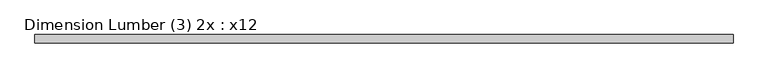
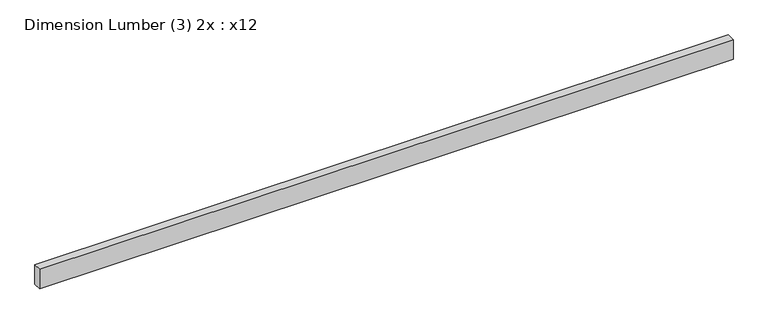
"""IFC4 building model written with IfcOpenShell, lengths in millimetres: beam geometry, Dimension Lumber (3) 2x : x12."""

import ifcopenshell
import ifcopenshell.guid

model = None  # the IFC model being written
_history = None  # IfcOwnerHistory: only IFC2X3 demands one
_inside = {}  # id of a spatial element -> (the spatial element, [elements in it])
_under = {}  # id of a project, library or spatial element -> (it, [spatial elements below it])
_declared = {}  # id of a project -> (the project, [libraries it declares])
_typed = {}  # id of a type object -> (the type object, [elements of that type])
_made_of = {}  # id of a material, layer set ... -> (it, [elements and type objects made of it])


def new_model(schema):
    """Start an empty IFC model of exactly this schema.

    Asked for "IFC4X3", IfcOpenShell would pick the latest addendum, in which some entities
    have other attributes; the version numbers below select the first issue.
    IFC2X3 requires an IfcOwnerHistory on every rooted entity: one is made here for all.
    """
    global model, _history
    if schema == "IFC4X3":
        model = ifcopenshell.file(schema_version=(4, 3, 0, 0))
    else:
        model = ifcopenshell.file(schema=schema)
    _inside.clear()
    _under.clear()
    _declared.clear()
    _typed.clear()
    _made_of.clear()
    _history = None
    if model.schema == "IFC2X3":
        org = make("IfcOrganization", Name="unknown")
        user = make(
            "IfcPersonAndOrganization",
            ThePerson=make("IfcPerson", FamilyName="unknown"),
            TheOrganization=org,
        )
        app = make(
            "IfcApplication",
            ApplicationDeveloper=org,
            Version="unknown",
            ApplicationFullName="unknown",
            ApplicationIdentifier="unknown",
        )
        _history = make(
            "IfcOwnerHistory",
            OwningUser=user,
            OwningApplication=app,
            ChangeAction="ADDED",
            CreationDate=0,
        )
    return model


def make(cls, **values):
    """One entity of the class cls with the attributes given. An attribute that is None is left unset."""
    return model.create_entity(
        cls, **{name: value for name, value in values.items() if value is not None}
    )


def rooted(cls, **values):
    """An entity with a GlobalId (a new one), such as an element, a storey or a relation."""
    return make(cls, GlobalId=ifcopenshell.guid.new(), OwnerHistory=_history, **values)


def si_unit(unit_type, name, prefix=None):
    """IfcSIUnit, for example si_unit("LENGTHUNIT", "METRE", prefix="MILLI")."""
    return make("IfcSIUnit", UnitType=unit_type, Prefix=prefix, Name=name)


def assignment(units):
    """IfcUnitAssignment: the units of a project."""
    return None if units is None else make("IfcUnitAssignment", Units=units)


def point(xyz):
    """IfcCartesianPoint."""
    return None if xyz is None else make("IfcCartesianPoint", Coordinates=xyz)


def direction(xyz):
    """IfcDirection."""
    return None if xyz is None else make("IfcDirection", DirectionRatios=xyz)


def frame(location, z_axis=None, x_axis=None):
    """IfcAxis2Placement3D, a coordinate frame: its origin and axes. An axis left out is left unset."""
    return make(
        "IfcAxis2Placement3D",
        Location=point(location),
        Axis=direction(z_axis),
        RefDirection=direction(x_axis),
    )


def origin():
    """The frame at (0, 0, 0) with its axes left unset."""
    return frame((0.0, 0.0, 0.0))


def place(relative_to, where):
    """IfcLocalPlacement: puts the frame where relative to a parent placement (None: the world)."""
    return make(
        "IfcLocalPlacement", PlacementRelTo=relative_to, RelativePlacement=where
    )


def context(
    kind, dimensions, precision=None, world=None, true_north=None, identifier=None
):
    """IfcGeometricRepresentationContext, for example the 3D "Model" context."""
    return make(
        "IfcGeometricRepresentationContext",
        ContextIdentifier=identifier,
        ContextType=kind,
        CoordinateSpaceDimension=dimensions,
        Precision=precision,
        WorldCoordinateSystem=world,
        TrueNorth=true_north,
    )


def project(units=None, contexts=None):
    """IfcProject with its units and contexts."""
    return rooted(
        "IfcProject",
        Name="project",
        RepresentationContexts=contexts,
        UnitsInContext=assignment(units),
    )


def spatial(cls, under=None, at=None, **own):
    """A site, building, storey or space (cls), placed at a placement, below another one or the project."""
    s = rooted(cls, ObjectPlacement=at, **own)
    if under is not None:
        _under.setdefault(under.id(), (under, []))[1].append(s)
    return s


def polyline(points):
    """IfcPolyline through the points."""
    return make("IfcPolyline", Points=[point(p) for p in points])


def outline(outer, holes=None, kind="AREA"):
    """IfcArbitraryClosedProfileDef: a profile drawn as a closed curve; with holes, ...WithVoids."""
    if holes is None:
        return make("IfcArbitraryClosedProfileDef", ProfileType=kind, OuterCurve=outer)
    return make(
        "IfcArbitraryProfileDefWithVoids",
        ProfileType=kind,
        OuterCurve=outer,
        InnerCurves=holes,
    )


def extrude(swept, where, along, depth):
    """IfcExtrudedAreaSolid: the profile swept, set in the frame where, extruded along a direction by depth."""
    return make(
        "IfcExtrudedAreaSolid",
        SweptArea=swept,
        Position=where,
        ExtrudedDirection=direction(along),
        Depth=depth,
    )


def shape(context_of_items, identifier, shape_type, items):
    """IfcShapeRepresentation: the items that make up one representation, for example the "Body"."""
    return make(
        "IfcShapeRepresentation",
        ContextOfItems=context_of_items,
        RepresentationIdentifier=identifier,
        RepresentationType=shape_type,
        Items=items,
    )


def source(mapping_origin, context_of_items, identifier, shape_type, items):
    """IfcRepresentationMap: a shape defined once, which mapped items show again and again."""
    return make(
        "IfcRepresentationMap",
        MappingOrigin=mapping_origin,
        MappedRepresentation=shape(context_of_items, identifier, shape_type, items),
    )


def transform(
    local_origin,
    x_axis=None,
    y_axis=None,
    z_axis=None,
    scale=None,
    scale2=None,
    scale3=None,
    uniform=True,
):
    """IfcCartesianTransformationOperator3D, or its non-uniform kind. x_axis, y_axis, z_axis: its Axis1, 2, 3."""
    if uniform:
        return make(
            "IfcCartesianTransformationOperator3D",
            Axis1=direction(x_axis),
            Axis2=direction(y_axis),
            LocalOrigin=point(local_origin),
            Scale=scale,
            Axis3=direction(z_axis),
        )
    return make(
        "IfcCartesianTransformationOperator3DnonUniform",
        Axis1=direction(x_axis),
        Axis2=direction(y_axis),
        LocalOrigin=point(local_origin),
        Scale=scale,
        Axis3=direction(z_axis),
        Scale2=scale2,
        Scale3=scale3,
    )


def mapped(mapping_source, mapping_target):
    """IfcMappedItem: shows the shape of a source again, moved by a transform."""
    return make(
        "IfcMappedItem", MappingSource=mapping_source, MappingTarget=mapping_target
    )


def made_of(thing, what):
    """Note that an element or type object is made of a material, layer set ...; save() writes the relation."""
    if what is not None:
        _made_of.setdefault(what.id(), (what, []))[1].append(thing)
    return thing


def element(
    cls,
    number,
    at=None,
    inside=None,
    cuts=None,
    type_object=None,
    material=None,
    context=None,
    identifier="Body",
    shape_type=None,
    held_by="IfcProductDefinitionShape",
    body=None,
    shapes=None,
    **own,
):
    """One element of the class cls, such as IfcWall. Its Tag is "e" and its number.

    at: its placement. inside: the storey or other place that contains it. cuts: it is an
    opening in that element (IfcRelVoidsElement). A single representation is given by context,
    identifier, shape_type and body (its items); several are given by shapes. held_by: the class
    of the entity that holds the representations. save() writes the other relations.
    """
    e = rooted(cls, Tag="e%d" % number, ObjectPlacement=at, **own)
    if body is not None:
        shapes = [shape(context, identifier, shape_type, body)]
    if shapes is not None:
        e.Representation = make(held_by, Representations=shapes)
    if inside is not None:
        _inside.setdefault(inside.id(), (inside, []))[1].append(e)
    if cuts is not None:
        rooted(
            "IfcRelVoidsElement", RelatingBuildingElement=cuts, RelatedOpeningElement=e
        )
    if type_object is not None:
        _typed.setdefault(type_object.id(), (type_object, []))[1].append(e)
    return made_of(e, material)


def aggregate(whole, parts):
    """IfcRelAggregates: a whole, such as a stair, and the parts it consists of."""
    return rooted("IfcRelAggregates", RelatingObject=whole, RelatedObjects=parts)


def save(model, path):
    """Write the relations noted so far, then the file.

    IfcRelAggregates (storeys below a building ...), IfcRelContainedInSpatialStructure (elements
    in a storey), IfcRelDefinesByType, IfcRelAssociatesMaterial and IfcRelDeclares: one each for
    every whole, place, type object, material and project.
    """
    for whole, parts in _under.values():
        aggregate(whole, parts)
    for where, things in _inside.values():
        rooted(
            "IfcRelContainedInSpatialStructure",
            RelatedElements=things,
            RelatingStructure=where,
        )
    for kind, things in _typed.values():
        rooted("IfcRelDefinesByType", RelatedObjects=things, RelatingType=kind)
    for what, things in _made_of.values():
        rooted("IfcRelAssociatesMaterial", RelatedObjects=things, RelatingMaterial=what)
    for by, libraries in _declared.values():
        rooted("IfcRelDeclares", RelatingContext=by, RelatedDefinitions=libraries)
    model.write(path)


def dimension_lumber_3_2x_x12_fe6a76fa(model_context):
    return source(origin(), model_context, "Body", "SweptSolid", [
        extrude(outline(polyline([(4777.9760173, 57.15), (4777.9760173, -57.15), (-4739.8760173, -57.15), (-4739.8760173, 57.15), (4777.9760173, 57.15)])), frame((0.0, 0.0, -142.875), z_axis=(0.0, 0.0, 1.0), x_axis=(1.0, 0.0, 0.0)), (0.0, 0.0, 1.0), 285.75),
    ])


if __name__ == "__main__":
    model = new_model("IFC4")
    model_context = context("Model", 3, world=origin())
    ifc_project = project(units=[si_unit("LENGTHUNIT", "METRE", prefix="MILLI")], contexts=[model_context])
    site = spatial("IfcSite", under=ifc_project)
    building = spatial("IfcBuilding", under=site)
    placement = place(None, origin())
    dimension_lumber_3_2x_x12_shape = dimension_lumber_3_2x_x12_fe6a76fa(model_context)
    element("IfcBeam", 1, ObjectType="Dimension Lumber (3) 2x : x12", at=placement, inside=building, context=model_context, shape_type="MappedRepresentation", body=[
        mapped(dimension_lumber_3_2x_x12_shape, transform((0.0, 0.0, 0.0), x_axis=(1.0, 0.0, 0.0), y_axis=(0.0, 1.0, 0.0), z_axis=(0.0, 0.0, 1.0))),
    ])
    save(model, "model.ifc")
